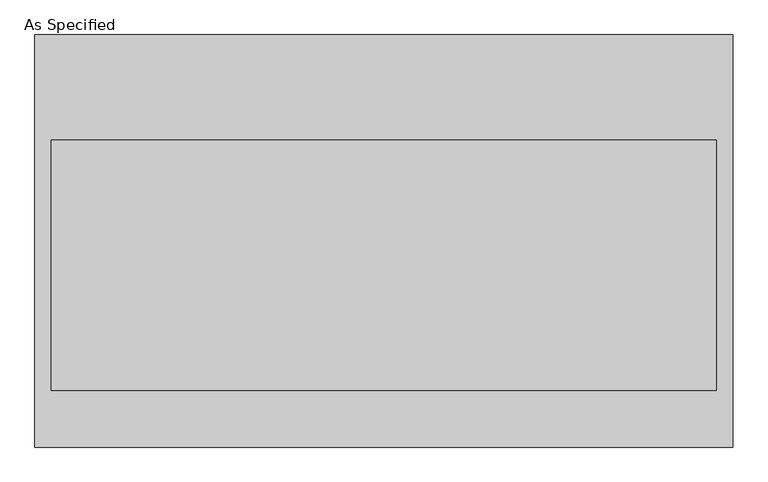
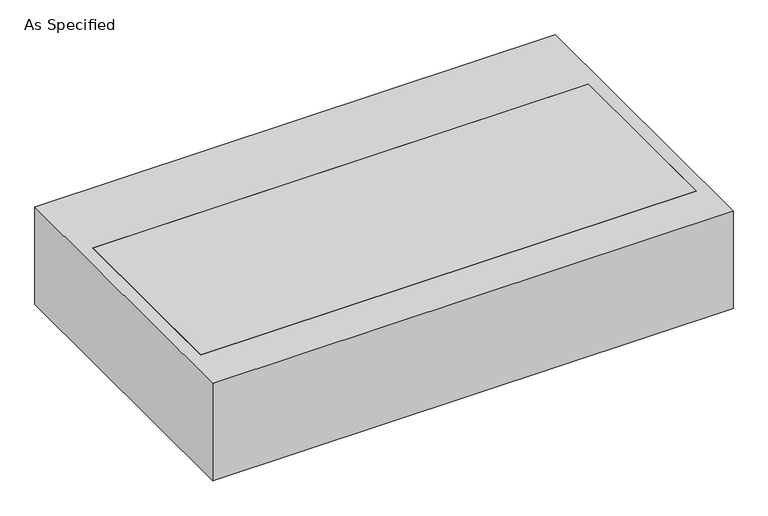
"""IFC4 building model written with IfcOpenShell, lengths in millimetres: proxy geometry, As Specified."""

import ifcopenshell
import ifcopenshell.guid

model = None  # the IFC model being written
_history = None  # IfcOwnerHistory: only IFC2X3 demands one
_inside = {}  # id of a spatial element -> (the spatial element, [elements in it])
_under = {}  # id of a project, library or spatial element -> (it, [spatial elements below it])
_declared = {}  # id of a project -> (the project, [libraries it declares])
_typed = {}  # id of a type object -> (the type object, [elements of that type])
_made_of = {}  # id of a material, layer set ... -> (it, [elements and type objects made of it])


def new_model(schema):
    """Start an empty IFC model of exactly this schema.

    Asked for "IFC4X3", IfcOpenShell would pick the latest addendum, in which some entities
    have other attributes; the version numbers below select the first issue.
    IFC2X3 requires an IfcOwnerHistory on every rooted entity: one is made here for all.
    """
    global model, _history
    if schema == "IFC4X3":
        model = ifcopenshell.file(schema_version=(4, 3, 0, 0))
    else:
        model = ifcopenshell.file(schema=schema)
    _inside.clear()
    _under.clear()
    _declared.clear()
    _typed.clear()
    _made_of.clear()
    _history = None
    if model.schema == "IFC2X3":
        org = make("IfcOrganization", Name="unknown")
        user = make(
            "IfcPersonAndOrganization",
            ThePerson=make("IfcPerson", FamilyName="unknown"),
            TheOrganization=org,
        )
        app = make(
            "IfcApplication",
            ApplicationDeveloper=org,
            Version="unknown",
            ApplicationFullName="unknown",
            ApplicationIdentifier="unknown",
        )
        _history = make(
            "IfcOwnerHistory",
            OwningUser=user,
            OwningApplication=app,
            ChangeAction="ADDED",
            CreationDate=0,
        )
    return model


def make(cls, **values):
    """One entity of the class cls with the attributes given. An attribute that is None is left unset."""
    return model.create_entity(
        cls, **{name: value for name, value in values.items() if value is not None}
    )


def rooted(cls, **values):
    """An entity with a GlobalId (a new one), such as an element, a storey or a relation."""
    return make(cls, GlobalId=ifcopenshell.guid.new(), OwnerHistory=_history, **values)


def si_unit(unit_type, name, prefix=None):
    """IfcSIUnit, for example si_unit("LENGTHUNIT", "METRE", prefix="MILLI")."""
    return make("IfcSIUnit", UnitType=unit_type, Prefix=prefix, Name=name)


def assignment(units):
    """IfcUnitAssignment: the units of a project."""
    return None if units is None else make("IfcUnitAssignment", Units=units)


def point(xyz):
    """IfcCartesianPoint."""
    return None if xyz is None else make("IfcCartesianPoint", Coordinates=xyz)


def direction(xyz):
    """IfcDirection."""
    return None if xyz is None else make("IfcDirection", DirectionRatios=xyz)


def frame(location, z_axis=None, x_axis=None):
    """IfcAxis2Placement3D, a coordinate frame: its origin and axes. An axis left out is left unset."""
    return make(
        "IfcAxis2Placement3D",
        Location=point(location),
        Axis=direction(z_axis),
        RefDirection=direction(x_axis),
    )


def origin():
    """The frame at (0, 0, 0) with its axes left unset."""
    return frame((0.0, 0.0, 0.0))


def place(relative_to, where):
    """IfcLocalPlacement: puts the frame where relative to a parent placement (None: the world)."""
    return make(
        "IfcLocalPlacement", PlacementRelTo=relative_to, RelativePlacement=where
    )


def context(
    kind, dimensions, precision=None, world=None, true_north=None, identifier=None
):
    """IfcGeometricRepresentationContext, for example the 3D "Model" context."""
    return make(
        "IfcGeometricRepresentationContext",
        ContextIdentifier=identifier,
        ContextType=kind,
        CoordinateSpaceDimension=dimensions,
        Precision=precision,
        WorldCoordinateSystem=world,
        TrueNorth=true_north,
    )


def project(units=None, contexts=None):
    """IfcProject with its units and contexts."""
    return rooted(
        "IfcProject",
        Name="project",
        RepresentationContexts=contexts,
        UnitsInContext=assignment(units),
    )


def spatial(cls, under=None, at=None, **own):
    """A site, building, storey or space (cls), placed at a placement, below another one or the project."""
    s = rooted(cls, ObjectPlacement=at, **own)
    if under is not None:
        _under.setdefault(under.id(), (under, []))[1].append(s)
    return s


def polyline(points):
    """IfcPolyline through the points."""
    return make("IfcPolyline", Points=[point(p) for p in points])


def outline(outer, holes=None, kind="AREA"):
    """IfcArbitraryClosedProfileDef: a profile drawn as a closed curve; with holes, ...WithVoids."""
    if holes is None:
        return make("IfcArbitraryClosedProfileDef", ProfileType=kind, OuterCurve=outer)
    return make(
        "IfcArbitraryProfileDefWithVoids",
        ProfileType=kind,
        OuterCurve=outer,
        InnerCurves=holes,
    )


def extrude(swept, where, along, depth):
    """IfcExtrudedAreaSolid: the profile swept, set in the frame where, extruded along a direction by depth."""
    return make(
        "IfcExtrudedAreaSolid",
        SweptArea=swept,
        Position=where,
        ExtrudedDirection=direction(along),
        Depth=depth,
    )


def shape(context_of_items, identifier, shape_type, items):
    """IfcShapeRepresentation: the items that make up one representation, for example the "Body"."""
    return make(
        "IfcShapeRepresentation",
        ContextOfItems=context_of_items,
        RepresentationIdentifier=identifier,
        RepresentationType=shape_type,
        Items=items,
    )


def source(mapping_origin, context_of_items, identifier, shape_type, items):
    """IfcRepresentationMap: a shape defined once, which mapped items show again and again."""
    return make(
        "IfcRepresentationMap",
        MappingOrigin=mapping_origin,
        MappedRepresentation=shape(context_of_items, identifier, shape_type, items),
    )


def transform(
    local_origin,
    x_axis=None,
    y_axis=None,
    z_axis=None,
    scale=None,
    scale2=None,
    scale3=None,
    uniform=True,
):
    """IfcCartesianTransformationOperator3D, or its non-uniform kind. x_axis, y_axis, z_axis: its Axis1, 2, 3."""
    if uniform:
        return make(
            "IfcCartesianTransformationOperator3D",
            Axis1=direction(x_axis),
            Axis2=direction(y_axis),
            LocalOrigin=point(local_origin),
            Scale=scale,
            Axis3=direction(z_axis),
        )
    return make(
        "IfcCartesianTransformationOperator3DnonUniform",
        Axis1=direction(x_axis),
        Axis2=direction(y_axis),
        LocalOrigin=point(local_origin),
        Scale=scale,
        Axis3=direction(z_axis),
        Scale2=scale2,
        Scale3=scale3,
    )


def mapped(mapping_source, mapping_target):
    """IfcMappedItem: shows the shape of a source again, moved by a transform."""
    return make(
        "IfcMappedItem", MappingSource=mapping_source, MappingTarget=mapping_target
    )


def made_of(thing, what):
    """Note that an element or type object is made of a material, layer set ...; save() writes the relation."""
    if what is not None:
        _made_of.setdefault(what.id(), (what, []))[1].append(thing)
    return thing


def element(
    cls,
    number,
    at=None,
    inside=None,
    cuts=None,
    type_object=None,
    material=None,
    context=None,
    identifier="Body",
    shape_type=None,
    held_by="IfcProductDefinitionShape",
    body=None,
    shapes=None,
    **own,
):
    """One element of the class cls, such as IfcWall. Its Tag is "e" and its number.

    at: its placement. inside: the storey or other place that contains it. cuts: it is an
    opening in that element (IfcRelVoidsElement). A single representation is given by context,
    identifier, shape_type and body (its items); several are given by shapes. held_by: the class
    of the entity that holds the representations. save() writes the other relations.
    """
    e = rooted(cls, Tag="e%d" % number, ObjectPlacement=at, **own)
    if body is not None:
        shapes = [shape(context, identifier, shape_type, body)]
    if shapes is not None:
        e.Representation = make(held_by, Representations=shapes)
    if inside is not None:
        _inside.setdefault(inside.id(), (inside, []))[1].append(e)
    if cuts is not None:
        rooted(
            "IfcRelVoidsElement", RelatingBuildingElement=cuts, RelatedOpeningElement=e
        )
    if type_object is not None:
        _typed.setdefault(type_object.id(), (type_object, []))[1].append(e)
    return made_of(e, material)


def aggregate(whole, parts):
    """IfcRelAggregates: a whole, such as a stair, and the parts it consists of."""
    return rooted("IfcRelAggregates", RelatingObject=whole, RelatedObjects=parts)


def save(model, path):
    """Write the relations noted so far, then the file.

    IfcRelAggregates (storeys below a building ...), IfcRelContainedInSpatialStructure (elements
    in a storey), IfcRelDefinesByType, IfcRelAssociatesMaterial and IfcRelDeclares: one each for
    every whole, place, type object, material and project.
    """
    for whole, parts in _under.values():
        aggregate(whole, parts)
    for where, things in _inside.values():
        rooted(
            "IfcRelContainedInSpatialStructure",
            RelatedElements=things,
            RelatingStructure=where,
        )
    for kind, things in _typed.values():
        rooted("IfcRelDefinesByType", RelatedObjects=things, RelatingType=kind)
    for what, things in _made_of.values():
        rooted("IfcRelAssociatesMaterial", RelatedObjects=things, RelatingMaterial=what)
    for by, libraries in _declared.values():
        rooted("IfcRelDeclares", RelatingContext=by, RelatedDefinitions=libraries)
    model.write(path)


def as_specified_dcb66995(model_context):
    return source(origin(), model_context, "Body", "SweptSolid", [
        extrude(outline(polyline([(-1273.175, -752.475), (-1273.175, 752.475), (1273.175, 752.475), (1273.175, -752.475), (-1273.175, -752.475)]), holes=[polyline([(1212.85, 368.3), (-1212.85, 368.3), (-1212.85, -546.1), (1212.85, -546.1), (1212.85, 368.3)])]), frame((0.0, 0.0, -530.225), z_axis=(0.0, 0.0, 1.0), x_axis=(1.0, 0.0, 0.0)), (0.0, 0.0, 1.0), 504.825),
        extrude(outline(polyline([(1212.85, 368.3), (1212.85, -546.1), (-1212.85, -546.1), (-1212.85, 368.3), (1212.85, 368.3)])), frame((0.0, 0.0, -530.225), z_axis=(0.0, 0.0, 1.0), x_axis=(1.0, 0.0, 0.0)), (0.0, 0.0, 1.0), 504.825),
    ])


if __name__ == "__main__":
    model = new_model("IFC4")
    model_context = context("Model", 3, world=origin())
    ifc_project = project(units=[si_unit("LENGTHUNIT", "METRE", prefix="MILLI")], contexts=[model_context])
    site = spatial("IfcSite", under=ifc_project)
    building = spatial("IfcBuilding", under=site)
    placement = place(None, origin())
    as_specified_shape = as_specified_dcb66995(model_context)
    element("IfcBuildingElementProxy", 1, Name="As Specified", ObjectType="As Specified", at=placement, inside=building, context=model_context, shape_type="MappedRepresentation", body=[
        mapped(as_specified_shape, transform((0.0, 0.0, 0.0), x_axis=(1.0, 0.0, 0.0), y_axis=(0.0, 1.0, 0.0), z_axis=(0.0, 0.0, 1.0))),
    ])
    save(model, "model.ifc")
